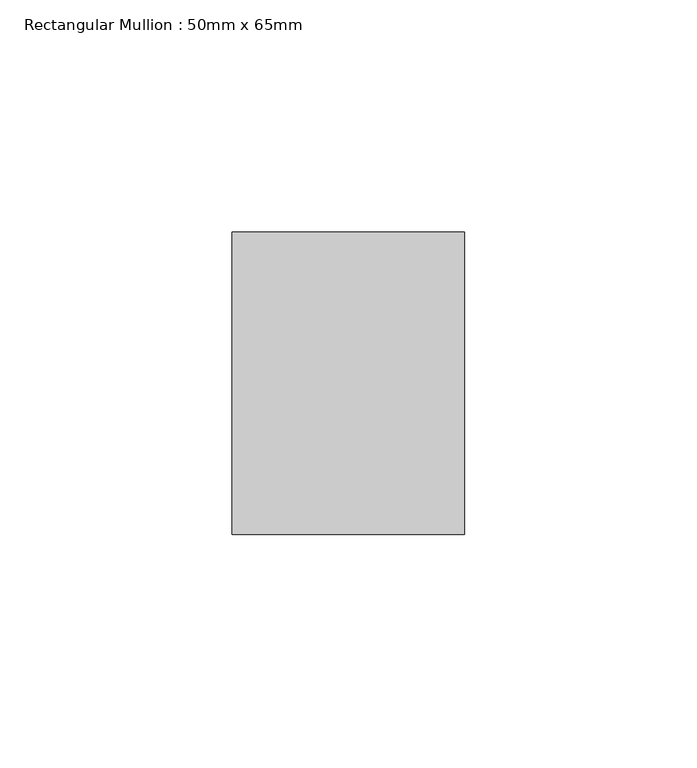
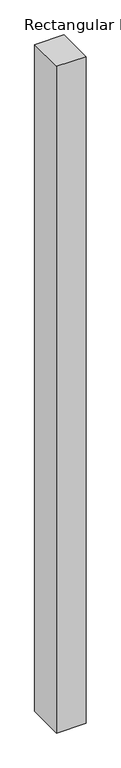
"""IFC4 building model written with IfcOpenShell, lengths in millimetres: member geometry, Rectangular Mullion : 50mm x 65mm."""

import ifcopenshell
import ifcopenshell.guid

model = None  # the IFC model being written
_history = None  # IfcOwnerHistory: only IFC2X3 demands one
_inside = {}  # id of a spatial element -> (the spatial element, [elements in it])
_under = {}  # id of a project, library or spatial element -> (it, [spatial elements below it])
_declared = {}  # id of a project -> (the project, [libraries it declares])
_typed = {}  # id of a type object -> (the type object, [elements of that type])
_made_of = {}  # id of a material, layer set ... -> (it, [elements and type objects made of it])


def new_model(schema):
    """Start an empty IFC model of exactly this schema.

    Asked for "IFC4X3", IfcOpenShell would pick the latest addendum, in which some entities
    have other attributes; the version numbers below select the first issue.
    IFC2X3 requires an IfcOwnerHistory on every rooted entity: one is made here for all.
    """
    global model, _history
    if schema == "IFC4X3":
        model = ifcopenshell.file(schema_version=(4, 3, 0, 0))
    else:
        model = ifcopenshell.file(schema=schema)
    _inside.clear()
    _under.clear()
    _declared.clear()
    _typed.clear()
    _made_of.clear()
    _history = None
    if model.schema == "IFC2X3":
        org = make("IfcOrganization", Name="unknown")
        user = make(
            "IfcPersonAndOrganization",
            ThePerson=make("IfcPerson", FamilyName="unknown"),
            TheOrganization=org,
        )
        app = make(
            "IfcApplication",
            ApplicationDeveloper=org,
            Version="unknown",
            ApplicationFullName="unknown",
            ApplicationIdentifier="unknown",
        )
        _history = make(
            "IfcOwnerHistory",
            OwningUser=user,
            OwningApplication=app,
            ChangeAction="ADDED",
            CreationDate=0,
        )
    return model


def make(cls, **values):
    """One entity of the class cls with the attributes given. An attribute that is None is left unset."""
    return model.create_entity(
        cls, **{name: value for name, value in values.items() if value is not None}
    )


def rooted(cls, **values):
    """An entity with a GlobalId (a new one), such as an element, a storey or a relation."""
    return make(cls, GlobalId=ifcopenshell.guid.new(), OwnerHistory=_history, **values)


def si_unit(unit_type, name, prefix=None):
    """IfcSIUnit, for example si_unit("LENGTHUNIT", "METRE", prefix="MILLI")."""
    return make("IfcSIUnit", UnitType=unit_type, Prefix=prefix, Name=name)


def assignment(units):
    """IfcUnitAssignment: the units of a project."""
    return None if units is None else make("IfcUnitAssignment", Units=units)


def point(xyz):
    """IfcCartesianPoint."""
    return None if xyz is None else make("IfcCartesianPoint", Coordinates=xyz)


def direction(xyz):
    """IfcDirection."""
    return None if xyz is None else make("IfcDirection", DirectionRatios=xyz)


def frame(location, z_axis=None, x_axis=None):
    """IfcAxis2Placement3D, a coordinate frame: its origin and axes. An axis left out is left unset."""
    return make(
        "IfcAxis2Placement3D",
        Location=point(location),
        Axis=direction(z_axis),
        RefDirection=direction(x_axis),
    )


def origin():
    """The frame at (0, 0, 0) with its axes left unset."""
    return frame((0.0, 0.0, 0.0))


def place(relative_to, where):
    """IfcLocalPlacement: puts the frame where relative to a parent placement (None: the world)."""
    return make(
        "IfcLocalPlacement", PlacementRelTo=relative_to, RelativePlacement=where
    )


def context(
    kind, dimensions, precision=None, world=None, true_north=None, identifier=None
):
    """IfcGeometricRepresentationContext, for example the 3D "Model" context."""
    return make(
        "IfcGeometricRepresentationContext",
        ContextIdentifier=identifier,
        ContextType=kind,
        CoordinateSpaceDimension=dimensions,
        Precision=precision,
        WorldCoordinateSystem=world,
        TrueNorth=true_north,
    )


def project(units=None, contexts=None):
    """IfcProject with its units and contexts."""
    return rooted(
        "IfcProject",
        Name="project",
        RepresentationContexts=contexts,
        UnitsInContext=assignment(units),
    )


def spatial(cls, under=None, at=None, **own):
    """A site, building, storey or space (cls), placed at a placement, below another one or the project."""
    s = rooted(cls, ObjectPlacement=at, **own)
    if under is not None:
        _under.setdefault(under.id(), (under, []))[1].append(s)
    return s


def polyline(points):
    """IfcPolyline through the points."""
    return make("IfcPolyline", Points=[point(p) for p in points])


def outline(outer, holes=None, kind="AREA"):
    """IfcArbitraryClosedProfileDef: a profile drawn as a closed curve; with holes, ...WithVoids."""
    if holes is None:
        return make("IfcArbitraryClosedProfileDef", ProfileType=kind, OuterCurve=outer)
    return make(
        "IfcArbitraryProfileDefWithVoids",
        ProfileType=kind,
        OuterCurve=outer,
        InnerCurves=holes,
    )


def extrude(swept, where, along, depth):
    """IfcExtrudedAreaSolid: the profile swept, set in the frame where, extruded along a direction by depth."""
    return make(
        "IfcExtrudedAreaSolid",
        SweptArea=swept,
        Position=where,
        ExtrudedDirection=direction(along),
        Depth=depth,
    )


def shape(context_of_items, identifier, shape_type, items):
    """IfcShapeRepresentation: the items that make up one representation, for example the "Body"."""
    return make(
        "IfcShapeRepresentation",
        ContextOfItems=context_of_items,
        RepresentationIdentifier=identifier,
        RepresentationType=shape_type,
        Items=items,
    )


def source(mapping_origin, context_of_items, identifier, shape_type, items):
    """IfcRepresentationMap: a shape defined once, which mapped items show again and again."""
    return make(
        "IfcRepresentationMap",
        MappingOrigin=mapping_origin,
        MappedRepresentation=shape(context_of_items, identifier, shape_type, items),
    )


def transform(
    local_origin,
    x_axis=None,
    y_axis=None,
    z_axis=None,
    scale=None,
    scale2=None,
    scale3=None,
    uniform=True,
):
    """IfcCartesianTransformationOperator3D, or its non-uniform kind. x_axis, y_axis, z_axis: its Axis1, 2, 3."""
    if uniform:
        return make(
            "IfcCartesianTransformationOperator3D",
            Axis1=direction(x_axis),
            Axis2=direction(y_axis),
            LocalOrigin=point(local_origin),
            Scale=scale,
            Axis3=direction(z_axis),
        )
    return make(
        "IfcCartesianTransformationOperator3DnonUniform",
        Axis1=direction(x_axis),
        Axis2=direction(y_axis),
        LocalOrigin=point(local_origin),
        Scale=scale,
        Axis3=direction(z_axis),
        Scale2=scale2,
        Scale3=scale3,
    )


def mapped(mapping_source, mapping_target):
    """IfcMappedItem: shows the shape of a source again, moved by a transform."""
    return make(
        "IfcMappedItem", MappingSource=mapping_source, MappingTarget=mapping_target
    )


def made_of(thing, what):
    """Note that an element or type object is made of a material, layer set ...; save() writes the relation."""
    if what is not None:
        _made_of.setdefault(what.id(), (what, []))[1].append(thing)
    return thing


def element(
    cls,
    number,
    at=None,
    inside=None,
    cuts=None,
    type_object=None,
    material=None,
    context=None,
    identifier="Body",
    shape_type=None,
    held_by="IfcProductDefinitionShape",
    body=None,
    shapes=None,
    **own,
):
    """One element of the class cls, such as IfcWall. Its Tag is "e" and its number.

    at: its placement. inside: the storey or other place that contains it. cuts: it is an
    opening in that element (IfcRelVoidsElement). A single representation is given by context,
    identifier, shape_type and body (its items); several are given by shapes. held_by: the class
    of the entity that holds the representations. save() writes the other relations.
    """
    e = rooted(cls, Tag="e%d" % number, ObjectPlacement=at, **own)
    if body is not None:
        shapes = [shape(context, identifier, shape_type, body)]
    if shapes is not None:
        e.Representation = make(held_by, Representations=shapes)
    if inside is not None:
        _inside.setdefault(inside.id(), (inside, []))[1].append(e)
    if cuts is not None:
        rooted(
            "IfcRelVoidsElement", RelatingBuildingElement=cuts, RelatedOpeningElement=e
        )
    if type_object is not None:
        _typed.setdefault(type_object.id(), (type_object, []))[1].append(e)
    return made_of(e, material)


def aggregate(whole, parts):
    """IfcRelAggregates: a whole, such as a stair, and the parts it consists of."""
    return rooted("IfcRelAggregates", RelatingObject=whole, RelatedObjects=parts)


def save(model, path):
    """Write the relations noted so far, then the file.

    IfcRelAggregates (storeys below a building ...), IfcRelContainedInSpatialStructure (elements
    in a storey), IfcRelDefinesByType, IfcRelAssociatesMaterial and IfcRelDeclares: one each for
    every whole, place, type object, material and project.
    """
    for whole, parts in _under.values():
        aggregate(whole, parts)
    for where, things in _inside.values():
        rooted(
            "IfcRelContainedInSpatialStructure",
            RelatedElements=things,
            RelatingStructure=where,
        )
    for kind, things in _typed.values():
        rooted("IfcRelDefinesByType", RelatedObjects=things, RelatingType=kind)
    for what, things in _made_of.values():
        rooted("IfcRelAssociatesMaterial", RelatedObjects=things, RelatingMaterial=what)
    for by, libraries in _declared.values():
        rooted("IfcRelDeclares", RelatingContext=by, RelatedDefinitions=libraries)
    model.write(path)


def rectangular_mullion_50mm_x_65mm_d8f9e1fc(model_context):
    return source(origin(), model_context, "Body", "SweptSolid", [
        extrude(outline(polyline([(25.0, 32.5), (25.0, -32.5), (-25.0, -32.5), (-25.0, 32.5), (25.0, 32.5)])), frame((0.0, 0.0, -1205.1797257), z_axis=(0.0, 0.0, 1.0), x_axis=(1.0, 0.0, 0.0)), (0.0, 0.0, 1.0), 1205.1797257),
    ])


if __name__ == "__main__":
    model = new_model("IFC4")
    model_context = context("Model", 3, world=origin())
    ifc_project = project(units=[si_unit("LENGTHUNIT", "METRE", prefix="MILLI")], contexts=[model_context])
    site = spatial("IfcSite", under=ifc_project)
    building = spatial("IfcBuilding", under=site)
    placement = place(None, origin())
    rectangular_mullion_50mm_x_65mm_shape = rectangular_mullion_50mm_x_65mm_d8f9e1fc(model_context)
    element("IfcMember", 1, ObjectType="Rectangular Mullion : 50mm x 65mm", at=placement, inside=building, context=model_context, shape_type="MappedRepresentation", body=[
        mapped(rectangular_mullion_50mm_x_65mm_shape, transform((0.0, 0.0, 0.0), x_axis=(1.0, 0.0, 0.0), y_axis=(0.0, 1.0, 0.0), z_axis=(0.0, 0.0, 1.0))),
    ])
    save(model, "model.ifc")
